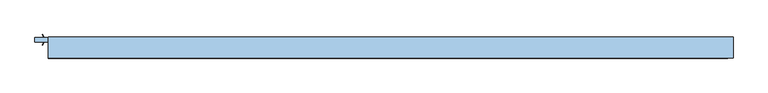
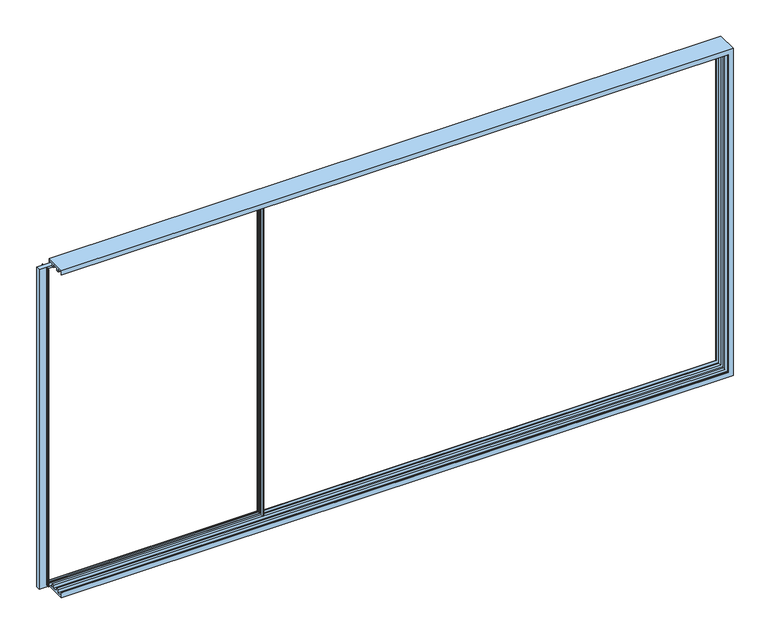
"""IFC4 building model written with IfcOpenShell, lengths in millimetres: window geometry."""

import ifcopenshell
import ifcopenshell.guid

model = None  # the IFC model being written
_history = None  # IfcOwnerHistory: only IFC2X3 demands one
_inside = {}  # id of a spatial element -> (the spatial element, [elements in it])
_under = {}  # id of a project, library or spatial element -> (it, [spatial elements below it])
_declared = {}  # id of a project -> (the project, [libraries it declares])
_typed = {}  # id of a type object -> (the type object, [elements of that type])
_made_of = {}  # id of a material, layer set ... -> (it, [elements and type objects made of it])


def new_model(schema):
    """Start an empty IFC model of exactly this schema.

    Asked for "IFC4X3", IfcOpenShell would pick the latest addendum, in which some entities
    have other attributes; the version numbers below select the first issue.
    IFC2X3 requires an IfcOwnerHistory on every rooted entity: one is made here for all.
    """
    global model, _history
    if schema == "IFC4X3":
        model = ifcopenshell.file(schema_version=(4, 3, 0, 0))
    else:
        model = ifcopenshell.file(schema=schema)
    _inside.clear()
    _under.clear()
    _declared.clear()
    _typed.clear()
    _made_of.clear()
    _history = None
    if model.schema == "IFC2X3":
        org = make("IfcOrganization", Name="unknown")
        user = make(
            "IfcPersonAndOrganization",
            ThePerson=make("IfcPerson", FamilyName="unknown"),
            TheOrganization=org,
        )
        app = make(
            "IfcApplication",
            ApplicationDeveloper=org,
            Version="unknown",
            ApplicationFullName="unknown",
            ApplicationIdentifier="unknown",
        )
        _history = make(
            "IfcOwnerHistory",
            OwningUser=user,
            OwningApplication=app,
            ChangeAction="ADDED",
            CreationDate=0,
        )
    return model


def make(cls, **values):
    """One entity of the class cls with the attributes given. An attribute that is None is left unset."""
    return model.create_entity(
        cls, **{name: value for name, value in values.items() if value is not None}
    )


def rooted(cls, **values):
    """An entity with a GlobalId (a new one), such as an element, a storey or a relation."""
    return make(cls, GlobalId=ifcopenshell.guid.new(), OwnerHistory=_history, **values)


def si_unit(unit_type, name, prefix=None):
    """IfcSIUnit, for example si_unit("LENGTHUNIT", "METRE", prefix="MILLI")."""
    return make("IfcSIUnit", UnitType=unit_type, Prefix=prefix, Name=name)


def assignment(units):
    """IfcUnitAssignment: the units of a project."""
    return None if units is None else make("IfcUnitAssignment", Units=units)


def point(xyz):
    """IfcCartesianPoint."""
    return None if xyz is None else make("IfcCartesianPoint", Coordinates=xyz)


def direction(xyz):
    """IfcDirection."""
    return None if xyz is None else make("IfcDirection", DirectionRatios=xyz)


def frame(location, z_axis=None, x_axis=None):
    """IfcAxis2Placement3D, a coordinate frame: its origin and axes. An axis left out is left unset."""
    return make(
        "IfcAxis2Placement3D",
        Location=point(location),
        Axis=direction(z_axis),
        RefDirection=direction(x_axis),
    )


def origin():
    """The frame at (0, 0, 0) with its axes left unset."""
    return frame((0.0, 0.0, 0.0))


def place(relative_to, where):
    """IfcLocalPlacement: puts the frame where relative to a parent placement (None: the world)."""
    return make(
        "IfcLocalPlacement", PlacementRelTo=relative_to, RelativePlacement=where
    )


def context(
    kind, dimensions, precision=None, world=None, true_north=None, identifier=None
):
    """IfcGeometricRepresentationContext, for example the 3D "Model" context."""
    return make(
        "IfcGeometricRepresentationContext",
        ContextIdentifier=identifier,
        ContextType=kind,
        CoordinateSpaceDimension=dimensions,
        Precision=precision,
        WorldCoordinateSystem=world,
        TrueNorth=true_north,
    )


def project(units=None, contexts=None):
    """IfcProject with its units and contexts."""
    return rooted(
        "IfcProject",
        Name="project",
        RepresentationContexts=contexts,
        UnitsInContext=assignment(units),
    )


def spatial(cls, under=None, at=None, **own):
    """A site, building, storey or space (cls), placed at a placement, below another one or the project."""
    s = rooted(cls, ObjectPlacement=at, **own)
    if under is not None:
        _under.setdefault(under.id(), (under, []))[1].append(s)
    return s


def polyline(points):
    """IfcPolyline through the points."""
    return make("IfcPolyline", Points=[point(p) for p in points])


def circle_curve(where, radius):
    """IfcCircle in the frame where."""
    return make("IfcCircle", Position=where, Radius=radius)


def faces_of(points, faces, orient=None, outer=None):
    """IfcFace entities. A face is a list of loops; a loop is a list of indices into points, from 0.

    orient and outer hold one flag for each loop. By default every Orientation is true, the
    first loop of a face is its IfcFaceOuterBound and the others are IfcFaceBound.
    """
    made = []
    for i, loops in enumerate(faces):
        bounds = []
        for j, loop in enumerate(loops):
            is_outer = j == 0 if outer is None else outer[i][j]
            bounds.append(
                make(
                    "IfcFaceOuterBound" if is_outer else "IfcFaceBound",
                    Bound=make("IfcPolyLoop", Polygon=[points[k] for k in loop]),
                    Orientation=True if orient is None else orient[i][j],
                )
            )
        made.append(make("IfcFace", Bounds=bounds))
    return made


def faceted_brep(points, faces, orient=None, outer=None, voids=None):
    """IfcFacetedBrep: a solid bounded by flat faces; with voids (closed shells), ...WithVoids."""
    shared = [point(p) for p in points]
    hull = make("IfcClosedShell", CfsFaces=faces_of(shared, faces, orient, outer))
    if voids is None:
        return make("IfcFacetedBrep", Outer=hull)
    return make(
        "IfcFacetedBrepWithVoids",
        Outer=hull,
        Voids=[
            make(cls, CfsFaces=faces_of(shared, fs, o, b)) for cls, fs, o, b in voids
        ],
    )


def shape(context_of_items, identifier, shape_type, items):
    """IfcShapeRepresentation: the items that make up one representation, for example the "Body"."""
    return make(
        "IfcShapeRepresentation",
        ContextOfItems=context_of_items,
        RepresentationIdentifier=identifier,
        RepresentationType=shape_type,
        Items=items,
    )


def source(mapping_origin, context_of_items, identifier, shape_type, items):
    """IfcRepresentationMap: a shape defined once, which mapped items show again and again."""
    return make(
        "IfcRepresentationMap",
        MappingOrigin=mapping_origin,
        MappedRepresentation=shape(context_of_items, identifier, shape_type, items),
    )


def transform(
    local_origin,
    x_axis=None,
    y_axis=None,
    z_axis=None,
    scale=None,
    scale2=None,
    scale3=None,
    uniform=True,
):
    """IfcCartesianTransformationOperator3D, or its non-uniform kind. x_axis, y_axis, z_axis: its Axis1, 2, 3."""
    if uniform:
        return make(
            "IfcCartesianTransformationOperator3D",
            Axis1=direction(x_axis),
            Axis2=direction(y_axis),
            LocalOrigin=point(local_origin),
            Scale=scale,
            Axis3=direction(z_axis),
        )
    return make(
        "IfcCartesianTransformationOperator3DnonUniform",
        Axis1=direction(x_axis),
        Axis2=direction(y_axis),
        LocalOrigin=point(local_origin),
        Scale=scale,
        Axis3=direction(z_axis),
        Scale2=scale2,
        Scale3=scale3,
    )


def mapped(mapping_source, mapping_target):
    """IfcMappedItem: shows the shape of a source again, moved by a transform."""
    return make(
        "IfcMappedItem", MappingSource=mapping_source, MappingTarget=mapping_target
    )


def made_of(thing, what):
    """Note that an element or type object is made of a material, layer set ...; save() writes the relation."""
    if what is not None:
        _made_of.setdefault(what.id(), (what, []))[1].append(thing)
    return thing


def element(
    cls,
    number,
    at=None,
    inside=None,
    cuts=None,
    type_object=None,
    material=None,
    context=None,
    identifier="Body",
    shape_type=None,
    held_by="IfcProductDefinitionShape",
    body=None,
    shapes=None,
    **own,
):
    """One element of the class cls, such as IfcWall. Its Tag is "e" and its number.

    at: its placement. inside: the storey or other place that contains it. cuts: it is an
    opening in that element (IfcRelVoidsElement). A single representation is given by context,
    identifier, shape_type and body (its items); several are given by shapes. held_by: the class
    of the entity that holds the representations. save() writes the other relations.
    """
    e = rooted(cls, Tag="e%d" % number, ObjectPlacement=at, **own)
    if body is not None:
        shapes = [shape(context, identifier, shape_type, body)]
    if shapes is not None:
        e.Representation = make(held_by, Representations=shapes)
    if inside is not None:
        _inside.setdefault(inside.id(), (inside, []))[1].append(e)
    if cuts is not None:
        rooted(
            "IfcRelVoidsElement", RelatingBuildingElement=cuts, RelatedOpeningElement=e
        )
    if type_object is not None:
        _typed.setdefault(type_object.id(), (type_object, []))[1].append(e)
    return made_of(e, material)


def aggregate(whole, parts):
    """IfcRelAggregates: a whole, such as a stair, and the parts it consists of."""
    return rooted("IfcRelAggregates", RelatingObject=whole, RelatedObjects=parts)


def save(model, path):
    """Write the relations noted so far, then the file.

    IfcRelAggregates (storeys below a building ...), IfcRelContainedInSpatialStructure (elements
    in a storey), IfcRelDefinesByType, IfcRelAssociatesMaterial and IfcRelDeclares: one each for
    every whole, place, type object, material and project.
    """
    for whole, parts in _under.values():
        aggregate(whole, parts)
    for where, things in _inside.values():
        rooted(
            "IfcRelContainedInSpatialStructure",
            RelatedElements=things,
            RelatingStructure=where,
        )
    for kind, things in _typed.values():
        rooted("IfcRelDefinesByType", RelatedObjects=things, RelatingType=kind)
    for what, things in _made_of.values():
        rooted("IfcRelAssociatesMaterial", RelatedObjects=things, RelatingMaterial=what)
    for by, libraries in _declared.values():
        rooted("IfcRelDeclares", RelatingContext=by, RelatedDefinitions=libraries)
    model.write(path)


def plane_surface(at):
    """IfcPlane: the flat surface through the origin of the frame at, square to its z axis."""
    return make("IfcPlane", Position=at)


def cylinder_surface(at, radius):
    """IfcCylindricalSurface: all points at the distance radius from the z axis of the frame at."""
    return make("IfcCylindricalSurface", Position=at, Radius=radius)


def revolved_surface(curve, axis_point, axis_direction):
    """IfcSurfaceOfRevolution: the curve turned about the line through axis_point along axis_direction."""
    return make(
        "IfcSurfaceOfRevolution",
        SweptCurve=make("IfcArbitraryOpenProfileDef", ProfileType="CURVE", Curve=curve),
        AxisPosition=make("IfcAxis1Placement", Location=point(axis_point), Axis=direction(axis_direction)),
    )


def advanced_brep(points, edges, surfaces, faces):
    """IfcAdvancedBrep: a solid bounded by faces that lie on surfaces and meet in shared edges.

    An edge is (start, end): straight between two places in points (the first is 0);
    or (start, end, curve); or (start, end, curve, False) where it runs against its curve.
    A face is (place in surfaces, loops), or (place, loops, False) where it looks against
    its surface's normal. A loop lists edges by number (the first is 1), with a minus sign
    where the edge is run from its end to its start. The first loop is the outer one.
    """
    corners = [point(p) for p in points]
    vertices = [make("IfcVertexPoint", VertexGeometry=c) for c in corners]
    made = []
    for start, end, *more in edges:
        made.append(
            make(
                "IfcEdgeCurve",
                EdgeStart=vertices[start],
                EdgeEnd=vertices[end],
                EdgeGeometry=more[0] if more else make("IfcPolyline", Points=[corners[start], corners[end]]),
                SameSense=more[1] if len(more) > 1 else True,
            )
        )
    hull = []
    for where, loops, *sense in faces:
        bounds = []
        for j, loop in enumerate(loops):
            ring = [make("IfcOrientedEdge", EdgeElement=made[abs(k) - 1], Orientation=k > 0) for k in loop]
            bounds.append(
                make(
                    "IfcFaceOuterBound" if j == 0 else "IfcFaceBound",
                    Bound=make("IfcEdgeLoop", EdgeList=ring),
                    Orientation=True,
                )
            )
        hull.append(make("IfcAdvancedFace", Bounds=bounds, FaceSurface=surfaces[where], SameSense=sense[0] if sense else True))
    return make("IfcAdvancedBrep", Outer=make("IfcClosedShell", CfsFaces=hull))


def window_4a22f549(model_context):
    return source(origin(), model_context, "Body", "SolidModel", [
        advanced_brep(
        [(-771.8, 75.1, 832.5), (-771.8, 38.7, 832.5), (-771.8, 38.7, 3765.0), (-771.8, 75.1, 3765.0), (1160.0, 75.1, 832.5), (1160.0, 38.7, 832.5), (1160.0, 38.7, 844.0), (1150.0, 38.7, 844.0), (1150.0, 38.7, 3756.0), (1160.0, 38.7, 3756.0), (1160.0, 38.7, 3765.0), (-700.5, 38.7, 847.0000675), (-705.8815605, 38.7, 847.0000675), (-705.8815605, 38.7, 3752.9999325), (-700.5, 38.7, 3752.9999325), (-698.5, 38.7, 3741.0), (1140.0, 38.7, 3741.0), (1140.0, 38.7, 859.0), (-698.5, 38.7, 859.0), (1160.0, 75.1, 3765.0), (-705.8815605, 75.1, 847.0000675), (-700.5, 75.1, 847.0000675), (-700.5, 75.1, 3752.9999325), (-705.8815605, 75.1, 3752.9999325), (-698.5, 75.1, 859.0), (1140.0, 75.1, 859.0), (1140.0, 75.1, 3741.0), (-698.5, 75.1, 3741.0), (1160.0, 12.1, 3756.0), (1160.0, 12.1, 844.0), (1150.0, 12.1, 3756.0), (1150.0, 12.1, 844.0), (-698.5, 71.9, 859.0), (1140.0, 71.9, 859.0), (-698.5, 71.9, 3741.0), (-712.5, 71.9, 3752.9999325), (-712.5, 71.9, 847.0000675), (1152.0, 71.9, 847.0000675), (1152.0, 71.9, 3752.9999325), (1140.0, 71.9, 3741.0), (-702.9977754, 77.2730879, 847.0000675), (-701.626431, 82.0555341, 847.0000675), (-701.739631, 84.0330365, 847.0000675), (-707.4747822, 99.4432139, 847.0000675), (-707.0, 100.1, 847.0000675), (-704.2399611, 100.1, 847.0000675), (-703.2836563, 99.3923717, 847.0000675), (-698.6310857, 84.174499, 847.0000675), (-698.6310857, 81.6176786, 847.0000675), (-698.6310857, 32.1823214, 847.0000675), (-698.6310857, 29.625501, 847.0000675), (-703.2836563, 14.4076283, 847.0000675), (-704.2399611, 13.7, 847.0000675), (-707.0, 13.7, 847.0000675), (-707.4747822, 14.3567861, 847.0000675), (-701.739631, 29.7669635, 847.0000675), (-701.626431, 31.7444659, 847.0000675), (-702.9977754, 36.5269121, 847.0000675), (-698.6310857, 81.6176786, 3752.9999325), (-702.9977754, 77.2730879, 3752.9999325), (-702.9977754, 36.5269121, 3752.9999325), (-698.6310857, 32.1823214, 3752.9999325), (1140.0, 41.9, 3741.0), (1140.0, 41.9, 859.0), (-698.5, 41.9, 859.0), (-698.5, 41.9, 3741.0), (-712.5, 41.9, 847.0000675), (-712.5, 41.9, 3752.9999325), (1152.0, 41.9, 3752.9999325), (1152.0, 41.9, 847.0000675), (-701.626431, 82.0555341, 3752.9999325), (-701.739631, 84.0330365, 3752.9999325), (-707.4747822, 99.4432139, 3752.9999325), (-707.0, 100.1, 3752.9999325), (-704.2399611, 100.1, 3752.9999325), (-703.2836563, 99.3923717, 3752.9999325), (-698.6310857, 84.174499, 3752.9999325), (-698.6310857, 29.625501, 3752.9999325), (-703.2836563, 14.4076283, 3752.9999325), (-704.2399611, 13.7, 3752.9999325), (-707.0, 13.7, 3752.9999325), (-707.4747822, 14.3567861, 3752.9999325), (-701.739631, 29.7669635, 3752.9999325), (-701.626431, 31.7444659, 3752.9999325)],
        [
            (0, 1),
            (1, 2),
            (2, 3),
            (3, 0),
            (0, 4),
            (4, 5),
            (5, 1),
            (5, 6),
            (6, 7),
            (7, 8),
            (8, 9),
            (9, 10),
            (10, 2),
            (11, 12),
            (12, 13),
            (13, 14),
            (14, 11),
            (15, 16),
            (16, 17),
            (17, 18),
            (18, 15),
            (19, 4),
            (3, 19),
            (20, 21),
            (21, 22),
            (22, 23),
            (23, 20),
            (24, 25),
            (25, 26),
            (26, 27),
            (27, 24),
            (19, 10),
            (9, 28),
            (28, 29),
            (29, 6),
            (28, 30),
            (30, 31),
            (31, 29),
            (31, 7),
            (24, 32),
            (32, 33),
            (33, 25),
            (27, 34),
            (34, 32),
            (35, 36),
            (36, 37),
            (37, 38),
            (38, 35),
            (34, 39),
            (39, 33),
            (39, 26),
            (20, 40, circle_curve(frame((-705.8815605, 78.1, 847.0000675), z_axis=(0.0, 0.0, 1.0), x_axis=(-1.0, 0.0, 0.0)), 3.0)),
            (40, 41),
            (41, 42, circle_curve(frame((-704.5102161, 82.8824462, 847.0000675), z_axis=(0.0, 0.0, 1.0), x_axis=(-1.0, 0.0, 0.0)), 3.0)),
            (42, 43, circle_curve(frame((-498.3068415, 168.5162025, 847.0000675), z_axis=(0.0, 0.0, -1.0), x_axis=(-1.0, 0.0, 0.0)), 220.2777909)),
            (43, 44, circle_curve(frame((-707.0, 99.6, 847.0000675), z_axis=(0.0, 0.0, -1.0), x_axis=(-1.0, 0.0, 0.0)), 0.5)),
            (44, 45),
            (45, 46, circle_curve(frame((-704.2399611, 99.1, 847.0000675), z_axis=(0.0, 0.0, -1.0), x_axis=(-1.0, 0.0, 0.0)), 1.0)),
            (46, 47),
            (47, 48, circle_curve(frame((-703.0894319, 82.8960888, 847.0000675), z_axis=(0.0, 0.0, -1.0), x_axis=(-1.0, 0.0, 0.0)), 4.638015)),
            (48, 21),
            (11, 49),
            (49, 50, circle_curve(frame((-703.0894319, 30.9039112, 847.0000675), z_axis=(0.0, 0.0, -1.0), x_axis=(-1.0, 0.0, 0.0)), 4.638015)),
            (50, 51),
            (51, 52, circle_curve(frame((-704.2399611, 14.7, 847.0000675), z_axis=(0.0, 0.0, -1.0), x_axis=(-1.0, 0.0, 0.0)), 1.0)),
            (52, 53),
            (53, 54, circle_curve(frame((-707.0, 14.2, 847.0000675), z_axis=(0.0, 0.0, -1.0), x_axis=(-1.0, 0.0, 0.0)), 0.5)),
            (54, 55, circle_curve(frame((-498.3068415, -54.7162025, 847.0000675), z_axis=(0.0, 0.0, -1.0), x_axis=(-1.0, 0.0, 0.0)), 220.2777909)),
            (55, 56, circle_curve(frame((-704.5102161, 30.9175538, 847.0000675), z_axis=(0.0, 0.0, 1.0), x_axis=(-1.0, 0.0, 0.0)), 3.0)),
            (56, 57),
            (57, 12, circle_curve(frame((-705.8815605, 35.7, 847.0000675), z_axis=(0.0, 0.0, 1.0), x_axis=(-1.0, 0.0, 0.0)), 3.0)),
            (48, 58),
            (58, 22),
            (23, 59, circle_curve(frame((-705.8815605, 78.1, 3752.9999325), z_axis=(0.0, 0.0, 1.0), x_axis=(-1.0, 0.0, 0.0)), 3.0)),
            (59, 40),
            (30, 8),
            (57, 60),
            (60, 13, circle_curve(frame((-705.8815605, 35.7, 3752.9999325), z_axis=(0.0, 0.0, 1.0), x_axis=(-1.0, 0.0, 0.0)), 3.0)),
            (14, 61),
            (61, 49),
            (16, 62),
            (62, 63),
            (63, 17),
            (64, 18),
            (63, 64),
            (64, 65),
            (65, 15),
            (66, 67),
            (67, 68),
            (68, 69),
            (69, 66),
            (62, 65),
            (66, 36),
            (35, 67),
            (37, 69),
            (68, 38),
            (59, 70),
            (70, 41),
            (70, 71, circle_curve(frame((-704.5102161, 82.8824462, 3752.9999325), z_axis=(0.0, 0.0, 1.0), x_axis=(-1.0, 0.0, 0.0)), 3.0)),
            (71, 42),
            (71, 72, circle_curve(frame((-498.3068415, 168.5162025, 3752.9999325), z_axis=(0.0, 0.0, -1.0), x_axis=(-1.0, 0.0, 0.0)), 220.2777909)),
            (72, 43),
            (72, 73, circle_curve(frame((-707.0, 99.6, 3752.9999325), z_axis=(0.0, 0.0, -1.0), x_axis=(-1.0, 0.0, 0.0)), 0.5)),
            (73, 44),
            (73, 74),
            (74, 45),
            (74, 75, circle_curve(frame((-704.2399611, 99.1, 3752.9999325), z_axis=(0.0, 0.0, -1.0), x_axis=(-1.0, 0.0, 0.0)), 1.0)),
            (75, 46),
            (75, 76),
            (76, 47),
            (76, 58, circle_curve(frame((-703.0894319, 82.8960888, 3752.9999325), z_axis=(0.0, 0.0, -1.0), x_axis=(-1.0, 0.0, 0.0)), 4.638015)),
            (61, 77, circle_curve(frame((-703.0894319, 30.9039112, 3752.9999325), z_axis=(0.0, 0.0, -1.0), x_axis=(-1.0, 0.0, 0.0)), 4.638015)),
            (77, 50),
            (77, 78),
            (78, 51),
            (78, 79, circle_curve(frame((-704.2399611, 14.7, 3752.9999325), z_axis=(0.0, 0.0, -1.0), x_axis=(-1.0, 0.0, 0.0)), 1.0)),
            (79, 52),
            (79, 80),
            (80, 53),
            (80, 81, circle_curve(frame((-707.0, 14.2, 3752.9999325), z_axis=(0.0, 0.0, -1.0), x_axis=(-1.0, 0.0, 0.0)), 0.5)),
            (81, 54),
            (81, 82, circle_curve(frame((-498.3068415, -54.7162025, 3752.9999325), z_axis=(0.0, 0.0, -1.0), x_axis=(-1.0, 0.0, 0.0)), 220.2777909)),
            (82, 55),
            (82, 83, circle_curve(frame((-704.5102161, 30.9175538, 3752.9999325), z_axis=(0.0, 0.0, 1.0), x_axis=(-1.0, 0.0, 0.0)), 3.0)),
            (83, 56),
            (83, 60),
        ],
        [
            plane_surface(frame((-771.8, 75.1, 859.0), z_axis=(-1.0, 0.0, 0.0), x_axis=(0.0, 1.0, 0.0))),
            plane_surface(frame((-771.8, 75.1, 832.5), z_axis=(0.0, 0.0, -1.0), x_axis=(1.0, 0.0, 0.0))),
            plane_surface(frame((-771.8, 38.7, 832.5), z_axis=(0.0, -1.0, 0.0), x_axis=(1.0, 0.0, 0.0))),
            plane_surface(frame((-771.8, 75.1, 859.0), z_axis=(0.0, 1.0, 0.0), x_axis=(1.0, 0.0, 0.0))),
            plane_surface(frame((1160.0, 75.1, 859.0), z_axis=(1.0, 0.0, 0.0), x_axis=(0.0, -1.0, 0.0))),
            plane_surface(frame((1150.0, 12.1, 3756.0), z_axis=(0.0, -1.0, 0.0), x_axis=(0.0, 0.0, -1.0))),
            plane_surface(frame((1140.0, 75.1, 844.0), z_axis=(0.0, 0.0, -1.0), x_axis=(1.0, 0.0, 0.0))),
            plane_surface(frame((-771.8, 71.9, 859.0), z_axis=(0.0, 0.0, 1.0), x_axis=(1.0, 0.0, 0.0))),
            plane_surface(frame((-698.5, 75.1, 847.0000675), z_axis=(1.0, 0.0, 0.0), x_axis=(0.0, 0.0, 1.0))),
            plane_surface(frame((-771.8, 71.9, 847.0000675), z_axis=(0.0, -1.0, 0.0), x_axis=(1.0, 0.0, 0.0))),
            plane_surface(frame((1140.0, 75.1, 3756.0), z_axis=(-1.0, 0.0, 0.0), x_axis=(0.0, 0.0, -1.0))),
            plane_surface(frame((-698.5, 100.0, 847.0000675), z_axis=(0.0, 0.0, -1.0), x_axis=(0.0, -1.0, 0.0))),
            plane_surface(frame((-698.6310857, 81.6176786, 847.0000675), z_axis=(0.9612616959382523, -0.2756373558172316, 0.0), x_axis=(0.0, 0.0, 1.0))),
            revolved_surface(polyline([(-708.8815605, 78.1, 3752.9999325), (-708.8815605, 78.1, 847.0000675)]), (-705.8815605, 78.1, 847.0000675), (0.0, 0.0, 1.0)),
            plane_surface(frame((1150.0, 38.7, 3756.0), z_axis=(-1.0, 0.0, 0.0), x_axis=(0.0, 0.0, -1.0))),
            revolved_surface(polyline([(-708.8815605, 35.7, 3752.9999325), (-708.8815605, 35.7, 847.0000675)]), (-705.8815605, 35.7, 847.0000675), (0.0, 0.0, 1.0)),
            plane_surface(frame((-700.5, 38.7, 847.0000675), z_axis=(0.9612616959382946, 0.27563735581708393, 0.0), x_axis=(0.0, 0.0, 1.0))),
            plane_surface(frame((1140.0, 41.9, 3756.0), z_axis=(-1.0, 0.0, 0.0), x_axis=(0.0, 0.0, -1.0))),
            plane_surface(frame((-771.8, 38.7, 859.0), z_axis=(0.0, 0.0, 1.0), x_axis=(1.0, 0.0, 0.0))),
            plane_surface(frame((-698.5, 41.9, 847.0000675), z_axis=(1.0, 0.0, 0.0), x_axis=(0.0, 0.0, 1.0))),
            plane_surface(frame((-771.8, 41.9, 859.0), z_axis=(0.0, 1.0, 0.0), x_axis=(1.0, 0.0, 0.0))),
            plane_surface(frame((-712.5, 71.9, 847.0000675), z_axis=(1.0, 0.0, 0.0), x_axis=(0.0, 0.0, 1.0))),
            plane_surface(frame((1152.0, 71.9, 3756.0), z_axis=(-1.0, 0.0, 0.0), x_axis=(0.0, 0.0, -1.0))),
            plane_surface(frame((-771.8, 41.9, 847.0000675), z_axis=(0.0, 0.0, 1.0), x_axis=(1.0, 0.0, 0.0))),
            plane_surface(frame((-702.9977754, 77.2730879, 847.0000675), z_axis=(-0.9612616959383159, 0.2756373558170098, 0.0), x_axis=(0.0, 0.0, 1.0))),
            revolved_surface(polyline([(-707.5102161, 82.8824462, 3752.9999325), (-707.5102161, 82.8824462, 847.0000675)]), (-704.5102161, 82.8824462, 847.0000675), (0.0, 0.0, 1.0)),
            cylinder_surface(frame((-498.3068415, 168.5162025, 847.0000675), z_axis=(0.0, 0.0, -1.0), x_axis=(-1.0, 0.0, 0.0)), 220.2777909),
            cylinder_surface(frame((-707.0, 99.6, 847.0000675), z_axis=(0.0, 0.0, -1.0), x_axis=(-1.0, 0.0, 0.0)), 0.5),
            plane_surface(frame((-707.0, 100.1, 847.0000675), z_axis=(0.0, 1.0, 0.0), x_axis=(0.0, 0.0, 1.0))),
            cylinder_surface(frame((-704.2399611, 99.1, 847.0000675), z_axis=(0.0, 0.0, -1.0), x_axis=(-1.0, 0.0, 0.0)), 1.0),
            plane_surface(frame((-703.2836563, 99.3923717, 847.0000675), z_axis=(0.9563047559631165, 0.29237170472247204, 0.0), x_axis=(0.0, 0.0, 1.0))),
            cylinder_surface(frame((-703.0894319, 82.8960888, 847.0000675), z_axis=(0.0, 0.0, -1.0), x_axis=(-1.0, 0.0, 0.0)), 4.638015),
            cylinder_surface(frame((-703.0894319, 30.9039112, 847.0000675), z_axis=(0.0, 0.0, -1.0), x_axis=(-1.0, 0.0, 0.0)), 4.638015),
            plane_surface(frame((-698.6310857, 29.625501, 847.0000675), z_axis=(0.9563047559631159, -0.29237170472247387, 0.0), x_axis=(0.0, 0.0, 1.0))),
            cylinder_surface(frame((-704.2399611, 14.7, 847.0000675), z_axis=(0.0, 0.0, -1.0), x_axis=(-1.0, 0.0, 0.0)), 1.0),
            plane_surface(frame((-704.2399611, 13.7, 847.0000675), z_axis=(0.0, -1.0, 0.0), x_axis=(0.0, 0.0, 1.0))),
            cylinder_surface(frame((-707.0, 14.2, 847.0000675), z_axis=(0.0, 0.0, -1.0), x_axis=(-1.0, 0.0, 0.0)), 0.5),
            cylinder_surface(frame((-498.3068415, -54.7162025, 847.0000675), z_axis=(0.0, 0.0, -1.0), x_axis=(-1.0, 0.0, 0.0)), 220.2777909),
            revolved_surface(polyline([(-707.5102161, 30.9175538, 3752.9999325), (-707.5102161, 30.9175538, 847.0000675)]), (-704.5102161, 30.9175538, 847.0000675), (0.0, 0.0, 1.0)),
            plane_surface(frame((-701.626431, 31.7444659, 847.0000675), z_axis=(-0.961261695938767, -0.27563735581543664, 0.0), x_axis=(0.0, 0.0, 1.0))),
            plane_surface(frame((-771.8, 38.7, 3765.0), z_axis=(0.0, 0.0, 1.0), x_axis=(1.0, 0.0, 0.0))),
            plane_surface(frame((1140.0, 75.1, 3756.0), z_axis=(0.0, 0.0, 1.0), x_axis=(-1.0, 0.0, 0.0))),
            plane_surface(frame((-698.5, 100.0, 3752.9999325), z_axis=(0.0, 0.0, 1.0), x_axis=(0.0, -1.0, 0.0))),
            plane_surface(frame((-771.8, 75.1, 3741.0), z_axis=(0.0, 0.0, -1.0), x_axis=(1.0, 0.0, 0.0))),
            plane_surface(frame((-771.8, 41.9, 3741.0), z_axis=(0.0, 0.0, -1.0), x_axis=(1.0, 0.0, 0.0))),
            plane_surface(frame((-771.8, 71.9, 3752.9999325), z_axis=(0.0, 0.0, -1.0), x_axis=(1.0, 0.0, 0.0))),
        ],
        [
            (0, [[1, 2, 3, 4]]),
            (1, [[-1, 5, 6, 7]]),
            (2, [[-7, 8, 9, 10, 11, 12, 13, -2], [14, 15, 16, 17], [18, 19, 20, 21]]),
            (3, [[22, -5, -4, 23], [24, 25, 26, 27], [28, 29, 30, 31]]),
            (4, [[-6, -22, 32, -12, 33, 34, 35, -8]]),
            (5, [[36, 37, 38, -34]]),
            (6, [[-38, 39, -9, -35]]),
            (7, [[40, 41, 42, -28]]),
            (8, [[-40, -31, 43, 44]]),
            (9, [[45, 46, 47, 48], [-44, 49, 50, -41]]),
            (10, [[-50, 51, -29, -42]]),
            (11, [[52, 53, 54, 55, 56, 57, 58, 59, 60, 61, -24]]),
            (11, [[62, 63, 64, 65, 66, 67, 68, 69, 70, 71, -14]]),
            (12, [[-61, 72, 73, -25]]),
            (13, [[-52, -27, 74, 75]]),
            (14, [[76, -10, -39, -37]]),
            (15, [[-71, 77, 78, -15]]),
            (16, [[-62, -17, 79, 80]]),
            (17, [[-19, 81, 82, 83]]),
            (18, [[84, -20, -83, 85]]),
            (19, [[-84, 86, 87, -21]]),
            (20, [[88, 89, 90, 91], [-86, -85, -82, 92]]),
            (21, [[93, -45, 94, -88]]),
            (22, [[-47, 95, -90, 96]]),
            (23, [[-46, -93, -91, -95]]),
            (24, [[-53, -75, 97, 98]]),
            (25, [[-54, -98, 99, 100]]),
            (26, [[-55, -100, 101, 102]]),
            (27, [[-56, -102, 103, 104]]),
            (28, [[-57, -104, 105, 106]]),
            (29, [[-58, -106, 107, 108]]),
            (30, [[-59, -108, 109, 110]]),
            (31, [[-60, -110, 111, -72]]),
            (32, [[-63, -80, 112, 113]]),
            (33, [[-64, -113, 114, 115]]),
            (34, [[-65, -115, 116, 117]]),
            (35, [[-66, -117, 118, 119]]),
            (36, [[-67, -119, 120, 121]]),
            (37, [[-68, -121, 122, 123]]),
            (38, [[-69, -123, 124, 125]]),
            (39, [[-70, -125, 126, -77]]),
            (40, [[-3, -13, -32, -23]]),
            (41, [[-76, -36, -33, -11]]),
            (42, [[-73, -111, -109, -107, -105, -103, -101, -99, -97, -74, -26]]),
            (42, [[-78, -126, -124, -122, -120, -118, -116, -114, -112, -79, -16]]),
            (43, [[-43, -30, -51, -49]]),
            (44, [[-87, -92, -81, -18]]),
            (45, [[-89, -94, -48, -96]]),
        ],
    ),
        faceted_brep([(-658.2, -100.0, 800.0), (-658.2, -100.0, 844.0), (-658.2, -96.3, 844.0), (-658.2, -96.3, 819.1357848), (-658.2, -53.9, 819.1357848), (-658.2, -53.9, 843.9582576), (-658.2, -30.3, 843.9582576), (-658.2, -30.3, 819.4778932), (-658.2, 12.1, 819.4778932), (-658.2, 12.1, 844.0), (-658.2, 35.7, 844.0), (-658.2, 35.7, 819.2), (-658.2, 78.1, 819.2), (-658.2, 78.1, 844.0), (-658.2, 81.8, 844.0), (-658.2, 81.8, 800.0), (5160.0, -100.0, 800.0), (5160.0, -100.0, 3800.0), (-658.2, -100.0, 3800.0), (-658.2, -100.0, 3756.0), (5116.0, -100.0, 3756.0), (5116.0, -100.0, 844.0), (5116.0, -96.3, 844.0), (5116.0, -96.3, 3756.0), (-658.2, -96.3, 3756.0), (-658.2, -96.3, 3780.8642152), (5140.8642152, -96.3, 3780.8642152), (5140.8642152, -96.3, 819.1357848), (5140.8642152, -53.9, 819.1357848), (5140.8642152, -53.9, 3780.8642152), (-658.2, -53.9, 3780.8642152), (-658.2, -53.9, 3756.0417424), (5116.0417424, -53.9, 3756.0417424), (5116.0417424, -53.9, 843.9582576), (5116.0417424, -30.3, 843.9582576), (5116.0417424, -30.3, 3756.0417424), (-658.2, -30.3, 3756.0417424), (-658.2, -30.3, 3780.5221068), (5140.5221068, -30.3, 3780.5221068), (5140.5221068, -30.3, 819.4778932), (5140.5221068, 12.1, 819.4778932), (5140.5221068, 12.1, 3780.5221068), (-658.2, 12.1, 3780.5221068), (-658.2, 12.1, 3756.0), (5116.0, 12.1, 3756.0), (5116.0, 12.1, 844.0), (5116.0, 35.7, 844.0), (5116.0, 35.7, 3756.0), (-658.2, 35.7, 3756.0), (-658.2, 35.7, 3780.8), (5140.8, 35.7, 3780.8), (5140.8, 35.7, 819.2), (5140.8, 78.1, 819.2), (5140.8, 78.1, 3780.8), (-658.2, 78.1, 3780.8), (-658.2, 78.1, 3756.0), (5116.0, 78.1, 3756.0), (5116.0, 78.1, 844.0), (5116.0, 81.8, 844.0), (5116.0, 81.8, 3756.0), (-658.2, 81.8, 3756.0), (-658.2, 81.8, 3800.0), (5160.0, 81.8, 3800.0), (5160.0, 81.8, 800.0)], [[[0, 1, 2, 3, 4, 5, 6, 7, 8, 9, 10, 11, 12, 13, 14, 15]], [[1, 0, 16, 17, 18, 19, 20, 21]], [[2, 1, 21, 22]], [[3, 2, 22, 23, 24, 25, 26, 27]], [[4, 3, 27, 28]], [[5, 4, 28, 29, 30, 31, 32, 33]], [[6, 5, 33, 34]], [[7, 6, 34, 35, 36, 37, 38, 39]], [[8, 7, 39, 40]], [[9, 8, 40, 41, 42, 43, 44, 45]], [[10, 9, 45, 46]], [[11, 10, 46, 47, 48, 49, 50, 51]], [[12, 11, 51, 52]], [[13, 12, 52, 53, 54, 55, 56, 57]], [[14, 13, 57, 58]], [[15, 14, 58, 59, 60, 61, 62, 63]], [[0, 15, 63, 16]], [[52, 51, 50, 53]], [[58, 57, 56, 59]], [[16, 63, 62, 17]], [[22, 21, 20, 23]], [[28, 27, 26, 29]], [[40, 39, 38, 41]], [[46, 45, 44, 47]], [[34, 33, 32, 35]], [[53, 50, 49, 54]], [[18, 61, 60, 55, 54, 49, 48, 43, 42, 37, 36, 31, 30, 25, 24, 19]], [[59, 56, 55, 60]], [[17, 62, 61, 18]], [[23, 20, 19, 24]], [[47, 44, 43, 48]], [[41, 38, 37, 42]], [[35, 32, 31, 36]], [[29, 26, 25, 30]]]),
    ])


if __name__ == "__main__":
    model = new_model("IFC4")
    model_context = context("Model", 3, world=origin())
    ifc_project = project(units=[si_unit("LENGTHUNIT", "METRE", prefix="MILLI")], contexts=[model_context])
    site = spatial("IfcSite", under=ifc_project)
    building = spatial("IfcBuilding", under=site)
    placement = place(None, origin())
    window_shape = window_4a22f549(model_context)
    element("IfcWindow", 1, at=placement, inside=building, context=model_context, shape_type="MappedRepresentation", body=[
        mapped(window_shape, transform((0.0, 0.0, 0.0), x_axis=(1.0, 0.0, 0.0), y_axis=(0.0, 1.0, 0.0), z_axis=(0.0, 0.0, 1.0))),
    ])
    save(model, "model.ifc")
